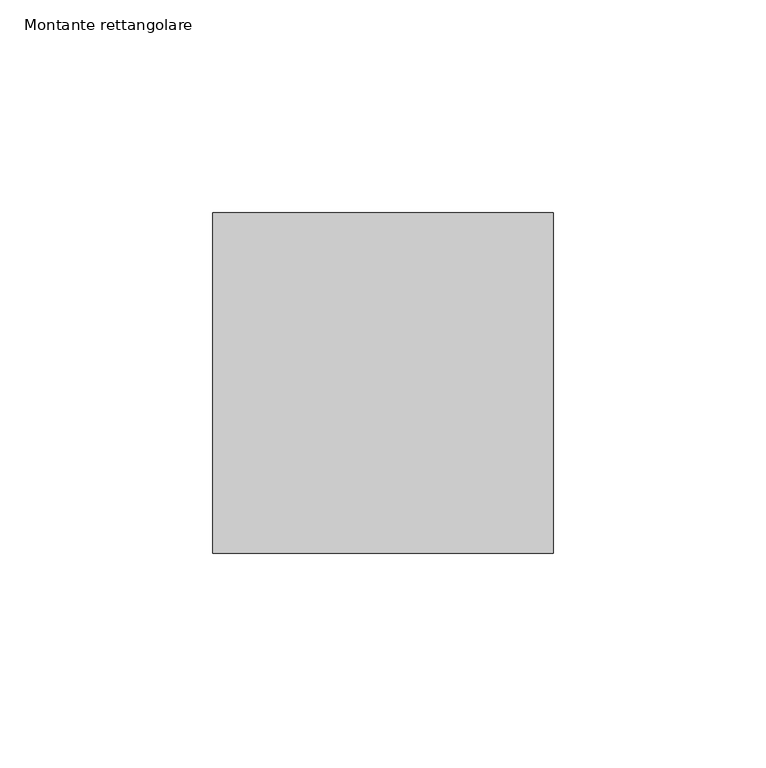
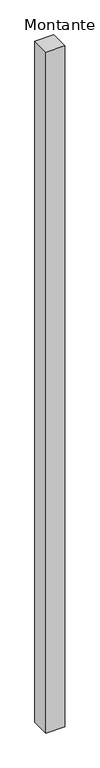
"""IFC4 building model written with IfcOpenShell, lengths in millimetres: member geometry, Montante rettangolare."""

from ifc_helpers import new_model, si_unit, frame, origin, place, context, project, spatial, polyline, outline, extrude, source, transform, mapped, element, save


def montante_rettangolare_5c4e7f35(model_context):
    return source(origin(), model_context, "Body", "SweptSolid", [
        extrude(outline(polyline([(0.0, 40.0), (0.0, -40.0), (-80.0, -40.0), (-80.0, 40.0), (0.0, 40.0)])), frame((0.0, 0.0, -3031.3838202), z_axis=(0.0, 0.0, 1.0), x_axis=(1.0, 0.0, 0.0)), (0.0, 0.0, 1.0), 3031.3838202),
    ])


if __name__ == "__main__":
    model = new_model("IFC4")
    model_context = context("Model", 3, world=origin())
    ifc_project = project(units=[si_unit("LENGTHUNIT", "METRE", prefix="MILLI")], contexts=[model_context])
    site = spatial("IfcSite", under=ifc_project)
    building = spatial("IfcBuilding", under=site)
    placement = place(None, origin())
    montante_rettangolare_shape = montante_rettangolare_5c4e7f35(model_context)
    element("IfcMember", 1, ObjectType="Montante rettangolare", at=placement, inside=building, context=model_context, shape_type="MappedRepresentation", body=[
        mapped(montante_rettangolare_shape, transform((0.0, 0.0, 0.0), x_axis=(1.0, 0.0, 0.0), y_axis=(0.0, 1.0, 0.0), z_axis=(0.0, 0.0, 1.0))),
    ])
    save(model, "model.ifc")
